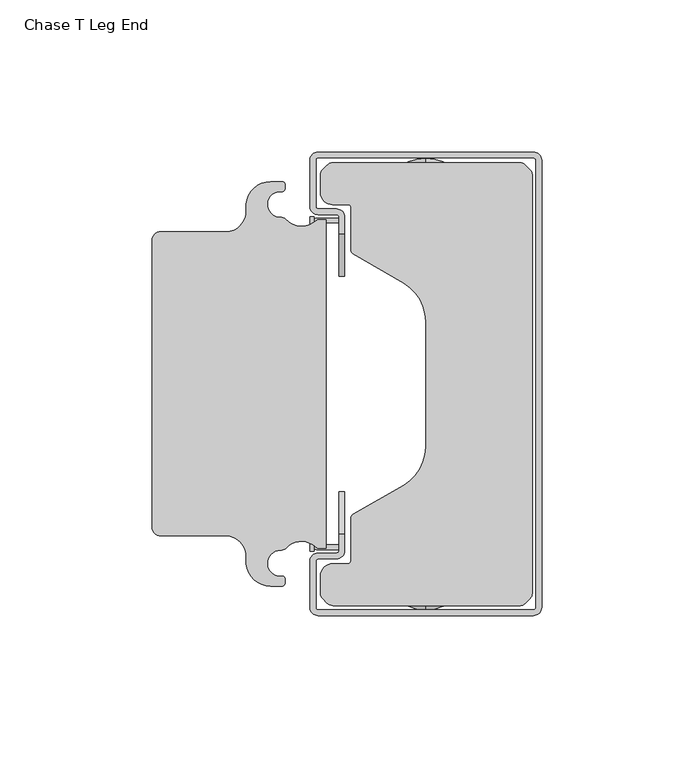
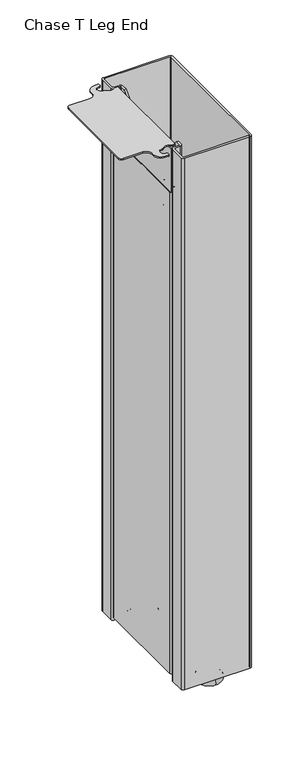
"""IFC4 building model written with IfcOpenShell, lengths in millimetres: furniture geometry, Chase T Leg End."""

from ifc_helpers import new_model, si_unit, point, frame, frame_2d, origin, place, context, project, spatial, polyline, circle_curve, ellipse_curve, trimmed, segment, composite_curve, outline, extrude, source, transform, mapped, element, save
from ifc_brep_helpers import plane_surface, cylinder_surface, revolved_surface, advanced_brep


def chase_t_leg_end_28bf16ec(model_context):
    return source(origin(), model_context, "Body", "SolidModel", [
        extrude(outline(polyline([(-54.9899983, 567.590135), (-54.9899983, 617.0249828), (-12.8496574, 617.0249828), (-6.3525906, 605.9712607), (6.3525906, 605.9712607), (12.8496574, 617.0249828), (54.9899983, 617.0249828), (54.9899983, 567.590135), (-54.9899983, 567.590135)])), frame((-38.1000273, 0.0, 0.0), z_axis=(1.0, 0.0, 0.0), x_axis=(0.0, 1.0, 0.0)), (0.0, 0.0, 1.0), 1.3436907),
        extrude(outline(composite_curve([segment(trimmed(circle_curve(frame_2d((-30.6177426, -63.0792863)), 4.0792856), [point((-34.6970282, -63.0792863))], [point((-30.6177426, -59.0000006))], False, "CARTESIAN"), True, "CONTINUOUS"), segment(polyline([(-30.6177426, -59.0000006), (-25.3843681, -59.0000006)]), True, "CONTINUOUS"), segment(trimmed(circle_curve(frame_2d((-25.3843681, -58.3126602)), 0.6873404), [point((-25.3843681, -59.0000006))], [point((-24.6970277, -58.3126602))], True, "CARTESIAN"), True, "CONTINUOUS"), segment(polyline([(-24.6970277, -58.3126602), (-24.6970277, -44.1396759)]), True, "CONTINUOUS"), segment(trimmed(circle_curve(frame_2d((-23.1713376, -44.1396759)), 1.5256901), [point((-24.6970277, -44.1396759))], [point((-23.9341826, -42.8183895))], False, "CARTESIAN"), True, "CONTINUOUS"), segment(polyline([(-23.9341826, -42.8183895), (-7.2289493, -33.1736194)]), True, "CONTINUOUS"), segment(trimmed(circle_curve(frame_2d((-14.4578702, -20.6527598)), 14.457843), [point((-7.2289493, -33.1736194))], [point((-2.73e-05, -20.6527598))], True, "CARTESIAN"), True, "CONTINUOUS"), segment(polyline([(-2.73e-05, -20.6527598), (-2.73e-05, 20.6527598)]), True, "CONTINUOUS"), segment(trimmed(circle_curve(frame_2d((-14.4578702, 20.6527598)), 14.457843), [point((-2.73e-05, 20.6527598))], [point((-7.2289493, 33.1736194))], True, "CARTESIAN"), True, "CONTINUOUS"), segment(polyline([(-7.2289493, 33.1736194), (-23.9341826, 42.8183895)]), True, "CONTINUOUS"), segment(trimmed(circle_curve(frame_2d((-23.1713376, 44.1396759)), 1.5256901), [point((-23.9341826, 42.8183895))], [point((-24.6970277, 44.1396759))], False, "CARTESIAN"), True, "CONTINUOUS"), segment(polyline([(-24.6970277, 44.1396759), (-24.6970277, 58.3126602)]), True, "CONTINUOUS"), segment(trimmed(circle_curve(frame_2d((-25.3843681, 58.3126602)), 0.6873404), [point((-24.6970277, 58.3126602))], [point((-25.3843681, 59.0000006))], True, "CARTESIAN"), True, "CONTINUOUS"), segment(polyline([(-25.3843681, 59.0000006), (-30.6177426, 59.0000006)]), True, "CONTINUOUS"), segment(trimmed(circle_curve(frame_2d((-30.6177426, 63.0792863)), 4.0792856), [point((-30.6177426, 59.0000006))], [point((-34.6970282, 63.0792863))], False, "CARTESIAN"), True, "CONTINUOUS"), segment(polyline([(-34.6970282, 63.0792863), (-34.6970282, 68.8937303)]), True, "CONTINUOUS"), segment(trimmed(circle_curve(frame_2d((-32.5091, 68.8937303)), 2.1879282), [point((-34.6970282, 68.8937303))], [point((-34.056198, 70.44083))], False, "CARTESIAN"), True, "CONTINUOUS"), segment(polyline([(-34.056198, 70.44083), (-32.5240103, 71.9730161)]), True, "CONTINUOUS"), segment(trimmed(circle_curve(frame_2d((-30.5274964, 69.9765001)), 2.8234985), [point((-32.5240103, 71.9730161))], [point((-30.5274964, 72.7999986))], False, "CARTESIAN"), True, "CONTINUOUS"), segment(polyline([(-30.5274964, 72.7999986), (31.0662822, 72.7999986)]), True, "CONTINUOUS"), segment(trimmed(circle_curve(frame_2d((31.0662822, 70.5386274)), 2.2613712), [point((31.0662822, 72.7999986))], [point((32.6653122, 72.1376592))], False, "CARTESIAN"), True, "CONTINUOUS"), segment(polyline([(32.6653122, 72.1376592), (34.3061873, 70.4967859)]), True, "CONTINUOUS"), segment(trimmed(circle_curve(frame_2d((32.6239999, 68.8145967)), 2.3789735), [point((34.3061873, 70.4967859))], [point((35.0029734, 68.8145967))], False, "CARTESIAN"), True, "CONTINUOUS"), segment(polyline([(35.0029734, 68.8145967), (35.0029734, -68.8145967)]), True, "CONTINUOUS"), segment(trimmed(circle_curve(frame_2d((32.6239999, -68.8145967)), 2.3789735), [point((35.0029734, -68.8145967))], [point((34.3061873, -70.4967859))], False, "CARTESIAN"), True, "CONTINUOUS"), segment(polyline([(34.3061873, -70.4967859), (32.6653122, -72.1376592)]), True, "CONTINUOUS"), segment(trimmed(circle_curve(frame_2d((31.0662822, -70.5386274)), 2.2613712), [point((32.6653122, -72.1376592))], [point((31.0662822, -72.7999986))], False, "CARTESIAN"), True, "CONTINUOUS"), segment(polyline([(31.0662822, -72.7999986), (-30.5274964, -72.7999986)]), True, "CONTINUOUS"), segment(trimmed(circle_curve(frame_2d((-30.5274964, -69.9765001)), 2.8234985), [point((-30.5274964, -72.7999986))], [point((-32.5240103, -71.9730161))], False, "CARTESIAN"), True, "CONTINUOUS"), segment(polyline([(-32.5240103, -71.9730161), (-34.056198, -70.44083)]), True, "CONTINUOUS"), segment(trimmed(circle_curve(frame_2d((-32.5091, -68.8937303)), 2.1879282), [point((-34.056198, -70.44083))], [point((-34.6970282, -68.8937303))], False, "CARTESIAN"), True, "CONTINUOUS"), segment(polyline([(-34.6970282, -68.8937303), (-34.6970282, -63.0792863)]), True, "CONTINUOUS")], self_intersect=False)), frame((0.0, 0.0, 44.5249985), z_axis=(0.0, 0.0, 1.0), x_axis=(1.0, 0.0, 0.0)), (0.0, 0.0, 1.0), 5.6950012),
        extrude(outline(composite_curve([segment(trimmed(circle_curve(frame_2d((-35.9502827, 52.3402571)), 2.1497445), [point((-38.1000273, 52.3402571))], [point((-35.9502827, 54.4900016))], False, "CARTESIAN"), True, "CONTINUOUS"), segment(polyline([(-35.9502827, 54.4900016), (-28.5750273, 54.4900016), (-28.5750273, 52.9659985), (-35.7888332, 52.9659985)]), True, "CONTINUOUS"), segment(trimmed(circle_curve(frame_2d((-35.7888332, 52.1788052)), 0.7871933), [point((-35.7888332, 52.9659985))], [point((-36.5760264, 52.1788052))], True, "CARTESIAN"), True, "CONTINUOUS"), segment(polyline([(-36.5760264, 52.1788052), (-36.5760264, -52.1788052)]), True, "CONTINUOUS"), segment(trimmed(circle_curve(frame_2d((-35.7888332, -52.1788052)), 0.7871933), [point((-36.5760264, -52.1788052))], [point((-35.7888332, -52.9659985))], True, "CARTESIAN"), True, "CONTINUOUS"), segment(polyline([(-35.7888332, -52.9659985), (-28.5750273, -52.9659985), (-28.5750273, -54.4900016), (-35.9502827, -54.4900016)]), True, "CONTINUOUS"), segment(trimmed(circle_curve(frame_2d((-35.9502827, -52.3402571)), 2.1497445), [point((-35.9502827, -54.4900016))], [point((-38.1000273, -52.3402571))], False, "CARTESIAN"), True, "CONTINUOUS"), segment(polyline([(-38.1000273, -52.3402571), (-38.1000273, 52.3402571)]), True, "CONTINUOUS")], self_intersect=False)), frame((0.0, 0.0, 15.0250004), z_axis=(0.0, 0.0, 1.0), x_axis=(1.0, 0.0, 0.0)), (0.0, 0.0, 1.0), 551.4847541),
        advanced_brep(
        [(-36.2026481, 73.5766231, 618.6490116), (-35.4766527, 74.3026185, 618.6490116), (35.3750524, 74.3026185, 618.6490116), (36.2025936, 73.4750774, 618.6490116), (36.2025936, -73.4750774, 618.6490116), (35.3750524, -74.3026185, 618.6490116), (-35.4766527, -74.3026185, 618.6490116), (-36.2026481, -73.5766231, 618.6490116), (-36.2026481, -58.4274907, 618.6490116), (-35.2985358, -57.5233784, 618.6490116), (-29.411658, -57.5233784, 618.6490116), (-26.6776481, -54.7893684, 618.6490116), (-26.6776481, -49.4010479, 618.6490116), (-28.5750273, -49.4010479, 618.6490116), (-28.5750273, -54.8550726, 618.6490116), (-29.3459561, -55.6260015, 618.6490116), (-35.4603939, -55.6260015, 618.6490116), (-38.1000273, -58.2656348, 618.6490116), (-38.1000273, -73.6049923, 618.6490116), (-35.5050196, -76.2, 618.6490116), (35.3413512, -76.2, 618.6490116), (38.0999727, -73.4413785, 618.6490116), (38.0999727, 73.4413785, 618.6490116), (35.3413512, 76.2, 618.6490116), (-35.5050196, 76.2, 618.6490116), (-38.1000273, 73.6049923, 618.6490116), (-38.1000273, 58.2656348, 618.6490116), (-35.4603939, 55.6260015, 618.6490116), (-29.3459561, 55.6260015, 618.6490116), (-28.5750273, 54.8550726, 618.6490116), (-28.5750273, 49.4010479, 618.6490116), (-26.6776481, 49.4010479, 618.6490116), (-26.6776481, 54.7893684, 618.6490116), (-29.411658, 57.5233784, 618.6490116), (-35.2985358, 57.5233784, 618.6490116), (-36.2026481, 58.4274907, 618.6490116), (-36.2026481, 73.5766231, 9.525), (-36.2026481, 58.4274907, 9.525), (-35.2985358, 57.5233784, 9.525), (-29.411658, 57.5233784, 9.525), (-26.8088027, 55.6260015, 9.525), (-35.4603939, 55.6260015, 9.525), (-38.1000273, 58.2656348, 9.525), (-38.1000273, 73.6049923, 9.525), (-35.5050196, 76.2, 9.525), (35.3413512, 76.2, 9.525), (38.0999727, 73.4413785, 9.525), (38.0999727, -73.4413785, 9.525), (35.3413512, -76.2, 9.525), (-35.5050196, -76.2, 9.525), (-38.1000273, -73.6049923, 9.525), (-38.1000273, -58.2656348, 9.525), (-35.4603939, -55.6260015, 9.525), (-26.8088027, -55.6260015, 9.525), (-29.411658, -57.5233784, 9.525), (-35.2985358, -57.5233784, 9.525), (-36.2026481, -58.4274907, 9.525), (-36.2026481, -73.5766231, 9.525), (-35.4766527, -74.3026185, 9.525), (35.3750524, -74.3026185, 9.525), (36.2025936, -73.4750774, 9.525), (36.2025936, 73.4750774, 9.525), (35.3750524, 74.3026185, 9.525), (-35.4766527, 74.3026185, 9.525), (-26.8088027, -55.6260015, 22.2200009), (-26.6776481, -54.7893684, 22.2200009), (-26.6776481, -47.0198276, 22.2200009), (-26.6776481, -45.4009988, 23.8388298), (-26.6776481, -45.4009988, 45.3317175), (-26.6776481, -44.5572219, 47.3687762), (-26.6776481, -40.2251098, 51.7008922), (-26.6776481, -39.4010016, 53.6904666), (-26.6776481, -39.4010016, 61.6385204), (-26.6776481, -40.027836, 63.1518335), (-26.6776481, -44.7830617, 67.9070634), (-26.6776481, -45.4009988, 69.3988964), (-26.6776481, -45.4009988, 481.1982298), (-26.6776481, -43.6680321, 485.3819781), (-26.6776481, -35.4010005, 493.6490006), (-26.6776481, -35.4010005, 604.6490058), (-28.5750273, -35.4010005, 493.6490006), (-28.5750273, -35.4010005, 604.6490058), (-28.5750273, -43.6680321, 485.3819781), (-28.5750273, -45.4009988, 481.1982298), (-28.5750273, -45.4009988, 69.3988964), (-28.5750273, -44.7830617, 67.9070634), (-28.5750273, -40.027836, 63.1518335), (-28.5750273, -39.4010016, 61.6385204), (-28.5750273, -39.4010016, 53.6904666), (-28.5750273, -40.2251098, 51.7008922), (-28.5750273, -44.5572219, 47.3687762), (-28.5750273, -45.4009988, 45.3317175), (-28.5750273, -45.4009988, 23.8388298), (-28.5750273, -47.0198276, 22.2200009), (-28.5750273, -54.8550726, 22.2200009), (-29.3459561, -55.6260015, 22.2200009), (-26.8088027, 55.6260015, 22.2200009), (-29.3459561, 55.6260015, 22.2200009), (-28.5750273, 54.8550726, 22.2200009), (-28.5750273, 47.0198276, 22.2200009), (-28.5750273, 45.4009988, 23.8388298), (-28.5750273, 45.4009988, 45.3317175), (-28.5750273, 44.5572219, 47.3687762), (-28.5750273, 40.2251098, 51.7008922), (-28.5750273, 39.4010016, 53.6904666), (-28.5750273, 39.4010016, 61.6385204), (-28.5750273, 40.027836, 63.1518335), (-28.5750273, 44.7830617, 67.9070634), (-28.5750273, 45.4009988, 69.3988964), (-28.5750273, 45.4009988, 481.1982298), (-28.5750273, 43.6680321, 485.3819781), (-28.5750273, 35.4010005, 493.6490006), (-28.5750273, 35.4010005, 604.6490058), (-26.6776481, 35.4010005, 493.6490006), (-26.6776481, 35.4010005, 604.6490058), (-26.6776481, 43.6680321, 485.3819781), (-26.6776481, 45.4009988, 481.1982298), (-26.6776481, 45.4009988, 69.3988964), (-26.6776481, 44.7830617, 67.9070634), (-26.6776481, 40.027836, 63.1518335), (-26.6776481, 39.4010016, 61.6385204), (-26.6776481, 39.4010016, 53.6904666), (-26.6776481, 40.2251098, 51.7008922), (-26.6776481, 44.5572219, 47.3687762), (-26.6776481, 45.4009988, 45.3317175), (-26.6776481, 45.4009988, 23.8388298), (-26.6776481, 47.0198276, 22.2200009), (-26.6776481, 54.7893684, 22.2200009)],
        [
            (0, 1, circle_curve(frame((-35.4766527, 73.5766231, 618.6490116), z_axis=(0.0, 0.0, -1.0), x_axis=(1.0, 0.0, 0.0)), 0.7259954)),
            (1, 2),
            (2, 3, circle_curve(frame((35.3750524, 73.4750774, 618.6490116), z_axis=(0.0, 0.0, -1.0), x_axis=(1.0, 0.0, 0.0)), 0.8275411)),
            (3, 4),
            (4, 5, circle_curve(frame((35.3750524, -73.4750774, 618.6490116), z_axis=(0.0, 0.0, -1.0), x_axis=(1.0, 0.0, 0.0)), 0.8275411)),
            (5, 6),
            (6, 7, circle_curve(frame((-35.4766527, -73.5766231, 618.6490116), z_axis=(0.0, 0.0, -1.0), x_axis=(1.0, 0.0, 0.0)), 0.7259954)),
            (7, 8),
            (8, 9, circle_curve(frame((-35.2985358, -58.4274907, 618.6490116), z_axis=(0.0, 0.0, -1.0), x_axis=(1.0, 0.0, 0.0)), 0.9041123)),
            (9, 10),
            (10, 11, circle_curve(frame((-29.411658, -54.7893684, 618.6490116), z_axis=(0.0, 0.0, 1.0), x_axis=(1.0, 0.0, 0.0)), 2.73401)),
            (11, 12),
            (12, 13),
            (13, 14),
            (14, 15, circle_curve(frame((-29.3459561, -54.8550726, 618.6490116), z_axis=(0.0, 0.0, -1.0), x_axis=(1.0, 0.0, 0.0)), 0.7709289)),
            (15, 16),
            (16, 17, circle_curve(frame((-35.4603939, -58.2656348, 618.6490116), z_axis=(0.0, 0.0, 1.0), x_axis=(1.0, 0.0, 0.0)), 2.6396334)),
            (17, 18),
            (18, 19, circle_curve(frame((-35.5050196, -73.6049923, 618.6490116), z_axis=(0.0, 0.0, 1.0), x_axis=(1.0, 0.0, 0.0)), 2.5950077)),
            (19, 20),
            (20, 21, circle_curve(frame((35.3413512, -73.4413785, 618.6490116), z_axis=(0.0, 0.0, 1.0), x_axis=(1.0, 0.0, 0.0)), 2.7586215)),
            (21, 22),
            (22, 23, circle_curve(frame((35.3413512, 73.4413785, 618.6490116), z_axis=(0.0, 0.0, 1.0), x_axis=(1.0, 0.0, 0.0)), 2.7586215)),
            (23, 24),
            (24, 25, circle_curve(frame((-35.5050196, 73.6049923, 618.6490116), z_axis=(0.0, 0.0, 1.0), x_axis=(1.0, 0.0, 0.0)), 2.5950077)),
            (25, 26),
            (26, 27, circle_curve(frame((-35.4603939, 58.2656348, 618.6490116), z_axis=(0.0, 0.0, 1.0), x_axis=(1.0, 0.0, 0.0)), 2.6396334)),
            (27, 28),
            (28, 29, circle_curve(frame((-29.3459561, 54.8550726, 618.6490116), z_axis=(0.0, 0.0, -1.0), x_axis=(1.0, 0.0, 0.0)), 0.7709289)),
            (29, 30),
            (30, 31),
            (31, 32),
            (32, 33, circle_curve(frame((-29.411658, 54.7893684, 618.6490116), z_axis=(0.0, 0.0, 1.0), x_axis=(1.0, 0.0, 0.0)), 2.73401)),
            (33, 34),
            (34, 35, circle_curve(frame((-35.2985358, 58.4274907, 618.6490116), z_axis=(0.0, 0.0, -1.0), x_axis=(1.0, 0.0, 0.0)), 0.9041123)),
            (35, 0),
            (36, 37),
            (37, 38, circle_curve(frame((-35.2985358, 58.4274907, 9.525), z_axis=(0.0, 0.0, 1.0), x_axis=(1.0, 0.0, 0.0)), 0.9041123)),
            (38, 39),
            (39, 40, circle_curve(frame((-29.411658, 54.7893684, 9.525), z_axis=(0.0, 0.0, -1.0), x_axis=(1.0, 0.0, 0.0)), 2.73401)),
            (40, 41),
            (41, 42, circle_curve(frame((-35.4603939, 58.2656348, 9.525), z_axis=(0.0, 0.0, -1.0), x_axis=(1.0, 0.0, 0.0)), 2.6396334)),
            (42, 43),
            (43, 44, circle_curve(frame((-35.5050196, 73.6049923, 9.525), z_axis=(0.0, 0.0, -1.0), x_axis=(1.0, 0.0, 0.0)), 2.5950077)),
            (44, 45),
            (45, 46, circle_curve(frame((35.3413512, 73.4413785, 9.525), z_axis=(0.0, 0.0, -1.0), x_axis=(1.0, 0.0, 0.0)), 2.7586215)),
            (46, 47),
            (47, 48, circle_curve(frame((35.3413512, -73.4413785, 9.525), z_axis=(0.0, 0.0, -1.0), x_axis=(1.0, 0.0, 0.0)), 2.7586215)),
            (48, 49),
            (49, 50, circle_curve(frame((-35.5050196, -73.6049923, 9.525), z_axis=(0.0, 0.0, -1.0), x_axis=(1.0, 0.0, 0.0)), 2.5950077)),
            (50, 51),
            (51, 52, circle_curve(frame((-35.4603939, -58.2656348, 9.525), z_axis=(0.0, 0.0, -1.0), x_axis=(1.0, 0.0, 0.0)), 2.6396334)),
            (52, 53),
            (53, 54, circle_curve(frame((-29.411658, -54.7893684, 9.525), z_axis=(0.0, 0.0, -1.0), x_axis=(1.0, 0.0, 0.0)), 2.73401)),
            (54, 55),
            (55, 56, circle_curve(frame((-35.2985358, -58.4274907, 9.525), z_axis=(0.0, 0.0, 1.0), x_axis=(1.0, 0.0, 0.0)), 0.9041123)),
            (56, 57),
            (57, 58, circle_curve(frame((-35.4766527, -73.5766231, 9.525), z_axis=(0.0, 0.0, 1.0), x_axis=(1.0, 0.0, 0.0)), 0.7259954)),
            (58, 59),
            (59, 60, circle_curve(frame((35.3750524, -73.4750774, 9.525), z_axis=(0.0, 0.0, 1.0), x_axis=(1.0, 0.0, 0.0)), 0.8275411)),
            (60, 61),
            (61, 62, circle_curve(frame((35.3750524, 73.4750774, 9.525), z_axis=(0.0, 0.0, 1.0), x_axis=(1.0, 0.0, 0.0)), 0.8275411)),
            (62, 63),
            (63, 36, circle_curve(frame((-35.4766527, 73.5766231, 9.525), z_axis=(0.0, 0.0, 1.0), x_axis=(1.0, 0.0, 0.0)), 0.7259954)),
            (0, 36),
            (63, 1),
            (62, 2),
            (61, 3),
            (60, 4),
            (59, 5),
            (58, 6),
            (57, 7),
            (56, 8),
            (55, 9),
            (54, 10),
            (53, 64),
            (64, 65, circle_curve(frame((-29.411658, -54.7893684, 22.2200009), z_axis=(0.0, 0.0, 1.0), x_axis=(1.0, 0.0, 0.0)), 2.73401)),
            (65, 11),
            (65, 66),
            (66, 67, circle_curve(frame((-26.6776481, -47.0198276, 23.8388298), z_axis=(1.0, 0.0, 0.0), x_axis=(0.0, 1.0, 0.0)), 1.6188289)),
            (67, 68),
            (68, 69, circle_curve(frame((-26.6776481, -42.5201614, 45.3317175), z_axis=(-1.0, 0.0, 0.0), x_axis=(0.0, 1.0, 0.0)), 2.8808373)),
            (69, 70),
            (70, 71, circle_curve(frame((-26.6776481, -42.214686, 53.6904666), z_axis=(1.0, 0.0, 0.0), x_axis=(0.0, 1.0, 0.0)), 2.8136844)),
            (71, 72),
            (72, 73, circle_curve(frame((-26.6776481, -41.5411505, 61.6385204), z_axis=(1.0, 0.0, 0.0), x_axis=(0.0, 1.0, 0.0)), 2.1401489)),
            (73, 74),
            (74, 75, circle_curve(frame((-26.6776481, -43.2912274, 69.3988964), z_axis=(-1.0, 0.0, 0.0), x_axis=(0.0, 1.0, 0.0)), 2.1097714)),
            (75, 76),
            (76, 77, circle_curve(frame((-26.6776481, -39.4842884, 481.1982298), z_axis=(-1.0, 0.0, 0.0), x_axis=(0.0, 1.0, 0.0)), 5.9167103)),
            (77, 78),
            (78, 79),
            (79, 12),
            (78, 80),
            (80, 81),
            (81, 79),
            (13, 81),
            (80, 82),
            (82, 83, circle_curve(frame((-28.5750273, -39.4842884, 481.1982298), z_axis=(1.0, 0.0, 0.0), x_axis=(0.0, 1.0, 0.0)), 5.9167103)),
            (83, 84),
            (84, 85, circle_curve(frame((-28.5750273, -43.2912274, 69.3988964), z_axis=(1.0, 0.0, 0.0), x_axis=(0.0, 1.0, 0.0)), 2.1097714)),
            (85, 86),
            (86, 87, circle_curve(frame((-28.5750273, -41.5411505, 61.6385204), z_axis=(-1.0, 0.0, 0.0), x_axis=(0.0, 1.0, 0.0)), 2.1401489)),
            (87, 88),
            (88, 89, circle_curve(frame((-28.5750273, -42.214686, 53.6904666), z_axis=(-1.0, 0.0, 0.0), x_axis=(0.0, 1.0, 0.0)), 2.8136844)),
            (89, 90),
            (90, 91, circle_curve(frame((-28.5750273, -42.5201614, 45.3317175), z_axis=(1.0, 0.0, 0.0), x_axis=(0.0, 1.0, 0.0)), 2.8808373)),
            (91, 92),
            (92, 93, circle_curve(frame((-28.5750273, -47.0198276, 23.8388298), z_axis=(-1.0, 0.0, 0.0), x_axis=(0.0, 1.0, 0.0)), 1.6188289)),
            (93, 94),
            (94, 14),
            (94, 95, circle_curve(frame((-29.3459561, -54.8550726, 22.2200009), z_axis=(0.0, 0.0, -1.0), x_axis=(1.0, 0.0, 0.0)), 0.7709289)),
            (95, 15),
            (95, 64),
            (52, 16),
            (51, 17),
            (50, 18),
            (49, 19),
            (48, 20),
            (47, 21),
            (46, 22),
            (45, 23),
            (44, 24),
            (43, 25),
            (42, 26),
            (41, 27),
            (40, 96),
            (96, 97),
            (97, 28),
            (97, 98, circle_curve(frame((-29.3459561, 54.8550726, 22.2200009), z_axis=(0.0, 0.0, -1.0), x_axis=(1.0, 0.0, 0.0)), 0.7709289)),
            (98, 29),
            (98, 99),
            (99, 100, circle_curve(frame((-28.5750273, 47.0198276, 23.8388298), z_axis=(-1.0, 0.0, 0.0), x_axis=(0.0, -1.0, 0.0)), 1.6188289)),
            (100, 101),
            (101, 102, circle_curve(frame((-28.5750273, 42.5201614, 45.3317175), z_axis=(1.0, 0.0, 0.0), x_axis=(0.0, -1.0, 0.0)), 2.8808373)),
            (102, 103),
            (103, 104, circle_curve(frame((-28.5750273, 42.214686, 53.6904666), z_axis=(-1.0, 0.0, 0.0), x_axis=(0.0, -1.0, 0.0)), 2.8136844)),
            (104, 105),
            (105, 106, circle_curve(frame((-28.5750273, 41.5411505, 61.6385204), z_axis=(-1.0, 0.0, 0.0), x_axis=(0.0, -1.0, 0.0)), 2.1401489)),
            (106, 107),
            (107, 108, circle_curve(frame((-28.5750273, 43.2912274, 69.3988964), z_axis=(1.0, 0.0, 0.0), x_axis=(0.0, -1.0, 0.0)), 2.1097714)),
            (108, 109),
            (109, 110, circle_curve(frame((-28.5750273, 39.4842884, 481.1982298), z_axis=(1.0, 0.0, 0.0), x_axis=(0.0, -1.0, 0.0)), 5.9167103)),
            (110, 111),
            (111, 112),
            (112, 30),
            (111, 113),
            (113, 114),
            (114, 112),
            (31, 114),
            (113, 115),
            (115, 116, circle_curve(frame((-26.6776481, 39.4842884, 481.1982298), z_axis=(-1.0, 0.0, 0.0), x_axis=(0.0, -1.0, 0.0)), 5.9167103)),
            (116, 117),
            (117, 118, circle_curve(frame((-26.6776481, 43.2912274, 69.3988964), z_axis=(-1.0, 0.0, 0.0), x_axis=(0.0, -1.0, 0.0)), 2.1097714)),
            (118, 119),
            (119, 120, circle_curve(frame((-26.6776481, 41.5411505, 61.6385204), z_axis=(1.0, 0.0, 0.0), x_axis=(0.0, -1.0, 0.0)), 2.1401489)),
            (120, 121),
            (121, 122, circle_curve(frame((-26.6776481, 42.214686, 53.6904666), z_axis=(1.0, 0.0, 0.0), x_axis=(0.0, -1.0, 0.0)), 2.8136844)),
            (122, 123),
            (123, 124, circle_curve(frame((-26.6776481, 42.5201614, 45.3317175), z_axis=(-1.0, 0.0, 0.0), x_axis=(0.0, -1.0, 0.0)), 2.8808373)),
            (124, 125),
            (125, 126, circle_curve(frame((-26.6776481, 47.0198276, 23.8388298), z_axis=(1.0, 0.0, 0.0), x_axis=(0.0, -1.0, 0.0)), 1.6188289)),
            (126, 127),
            (127, 32),
            (127, 96, circle_curve(frame((-29.411658, 54.7893684, 22.2200009), z_axis=(0.0, 0.0, 1.0), x_axis=(1.0, 0.0, 0.0)), 2.73401)),
            (39, 33),
            (38, 34),
            (37, 35),
            (126, 99),
            (125, 100),
            (124, 101),
            (123, 102),
            (122, 103),
            (121, 104),
            (120, 105),
            (119, 106),
            (118, 107),
            (117, 108),
            (116, 109),
            (115, 110),
            (77, 82),
            (76, 83),
            (75, 84),
            (74, 85),
            (73, 86),
            (72, 87),
            (71, 88),
            (70, 89),
            (69, 90),
            (68, 91),
            (67, 92),
            (66, 93),
        ],
        [
            plane_surface(frame((-34.7506573, 73.5766231, 618.6490116), z_axis=(0.0, 0.0, 1.0), x_axis=(0.0, -1.0, 0.0))),
            plane_surface(frame((-34.7506573, 73.5766231, 9.525), z_axis=(0.0, 0.0, -1.0), x_axis=(0.0, 1.0, 0.0))),
            revolved_surface(polyline([(-34.7506573, 73.5766231, 9.525), (-34.7506573, 73.5766231, 618.6490116)]), (-35.4766527, 73.5766231, 9.525), (0.0, 0.0, -1.0)),
            plane_surface(frame((-35.4766527, 74.3026185, 618.6490116), z_axis=(0.0, -1.0, 0.0), x_axis=(0.0, 0.0, -1.0))),
            revolved_surface(polyline([(36.2025935, 73.4750774, 9.525), (36.2025935, 73.4750774, 618.6490116)]), (35.3750524, 73.4750774, 9.525), (0.0, 0.0, -1.0)),
            plane_surface(frame((36.2025936, 73.4750774, 618.6490116), z_axis=(-1.0, 0.0, 0.0), x_axis=(0.0, 0.0, -1.0))),
            revolved_surface(polyline([(36.2025935, -73.4750774, 9.525), (36.2025935, -73.4750774, 618.6490116)]), (35.3750524, -73.4750774, 9.525), (0.0, 0.0, -1.0)),
            plane_surface(frame((35.3750524, -74.3026185, 618.6490116), z_axis=(0.0, 1.0, 0.0), x_axis=(0.0, 0.0, -1.0))),
            revolved_surface(polyline([(-34.7506573, -73.5766231, 9.525), (-34.7506573, -73.5766231, 618.6490116)]), (-35.4766527, -73.5766231, 9.525), (0.0, 0.0, -1.0)),
            plane_surface(frame((-36.2026481, -73.5766231, 618.6490116), z_axis=(1.0, 0.0, 0.0), x_axis=(0.0, 0.0, -1.0))),
            revolved_surface(polyline([(-34.3944235, -58.4274907, 9.525), (-34.3944235, -58.4274907, 618.6490116)]), (-35.2985358, -58.4274907, 9.525), (0.0, 0.0, -1.0)),
            plane_surface(frame((-35.2985358, -57.5233784, 618.6490116), z_axis=(0.0, -1.0, 0.0), x_axis=(0.0, 0.0, -1.0))),
            cylinder_surface(frame((-29.411658, -54.7893684, 9.525), z_axis=(0.0, 0.0, 1.0), x_axis=(1.0, 0.0, 0.0)), 2.73401),
            plane_surface(frame((-26.6776481, -54.7893684, 618.6490116), z_axis=(1.0, 0.0, 0.0), x_axis=(0.0, 0.0, -1.0))),
            plane_surface(frame((-26.6776481, -35.4010005, 618.6490116), z_axis=(0.0, 1.0, 0.0), x_axis=(0.0, 0.0, -1.0))),
            plane_surface(frame((-28.5750273, -35.4010005, 618.6490116), z_axis=(-1.0, 0.0, 0.0), x_axis=(0.0, 0.0, -1.0))),
            revolved_surface(polyline([(-28.575027199999997, -54.8550726, 22.2200009), (-28.575027199999997, -54.8550726, 618.6490116)]), (-29.3459561, -54.8550726, 9.525), (0.0, 0.0, -1.0)),
            plane_surface(frame((-29.3459561, -55.6260015, 618.6490116), z_axis=(0.0, 1.0, 0.0), x_axis=(0.0, 0.0, -1.0))),
            cylinder_surface(frame((-35.4603939, -58.2656348, 9.525), z_axis=(0.0, 0.0, 1.0), x_axis=(1.0, 0.0, 0.0)), 2.6396334),
            plane_surface(frame((-38.1000273, -58.2656348, 618.6490116), z_axis=(-1.0, 0.0, 0.0), x_axis=(0.0, 0.0, -1.0))),
            cylinder_surface(frame((-35.5050196, -73.6049923, 9.525), z_axis=(0.0, 0.0, 1.0), x_axis=(1.0, 0.0, 0.0)), 2.5950077),
            plane_surface(frame((-35.5050196, -76.2, 618.6490116), z_axis=(0.0, -1.0, 0.0), x_axis=(0.0, 0.0, -1.0))),
            cylinder_surface(frame((35.3413512, -73.4413785, 9.525), z_axis=(0.0, 0.0, 1.0), x_axis=(1.0, 0.0, 0.0)), 2.7586215),
            plane_surface(frame((38.0999727, -73.4413785, 618.6490116), z_axis=(1.0, 0.0, 0.0), x_axis=(0.0, 0.0, -1.0))),
            cylinder_surface(frame((35.3413512, 73.4413785, 9.525), z_axis=(0.0, 0.0, 1.0), x_axis=(1.0, 0.0, 0.0)), 2.7586215),
            plane_surface(frame((35.3413512, 76.2, 618.6490116), z_axis=(0.0, 1.0, 0.0), x_axis=(0.0, 0.0, -1.0))),
            cylinder_surface(frame((-35.5050196, 73.6049923, 9.525), z_axis=(0.0, 0.0, 1.0), x_axis=(1.0, 0.0, 0.0)), 2.5950077),
            plane_surface(frame((-38.1000273, 73.6049923, 618.6490116), z_axis=(-1.0, 0.0, 0.0), x_axis=(0.0, 0.0, -1.0))),
            cylinder_surface(frame((-35.4603939, 58.2656348, 9.525), z_axis=(0.0, 0.0, 1.0), x_axis=(1.0, 0.0, 0.0)), 2.6396334),
            plane_surface(frame((-35.4603939, 55.6260015, 618.6490116), z_axis=(0.0, -1.0, 0.0), x_axis=(0.0, 0.0, -1.0))),
            revolved_surface(polyline([(-28.575027199999997, 54.8550726, 22.2200009), (-28.575027199999997, 54.8550726, 618.6490116)]), (-29.3459561, 54.8550726, 9.525), (0.0, 0.0, -1.0)),
            plane_surface(frame((-28.5750273, 54.8550726, 618.6490116), z_axis=(-1.0, 0.0, 0.0), x_axis=(0.0, 0.0, -1.0))),
            plane_surface(frame((-28.5750273, 35.4010005, 618.6490116), z_axis=(0.0, -1.0, 0.0), x_axis=(0.0, 0.0, -1.0))),
            plane_surface(frame((-26.6776481, 35.4010005, 618.6490116), z_axis=(1.0, 0.0, 0.0), x_axis=(0.0, 0.0, -1.0))),
            cylinder_surface(frame((-29.411658, 54.7893684, 9.525), z_axis=(0.0, 0.0, 1.0), x_axis=(1.0, 0.0, 0.0)), 2.73401),
            plane_surface(frame((-29.411658, 57.5233784, 618.6490116), z_axis=(0.0, 1.0, 0.0), x_axis=(0.0, 0.0, -1.0))),
            revolved_surface(polyline([(-34.3944235, 58.4274907, 9.525), (-34.3944235, 58.4274907, 618.6490116)]), (-35.2985358, 58.4274907, 9.525), (0.0, 0.0, -1.0)),
            plane_surface(frame((-36.2026481, 58.4274907, 618.6490116), z_axis=(1.0, 0.0, 0.0), x_axis=(0.0, 0.0, -1.0))),
            plane_surface(frame((0.0, 29.2002842, 598.4483079), z_axis=(0.0, -0.7071057318713095, 0.7071078305002284), x_axis=(-1.0, 0.0, 0.0))),
            plane_surface(frame((0.0, 55.6260015, 22.2200009), z_axis=(0.0, 0.0, -1.0), x_axis=(-1.0, 0.0, 0.0))),
            cylinder_surface(frame((0.0, 47.0198276, 23.8388298), z_axis=(-1.0, 0.0, 0.0), x_axis=(0.0, -1.0, 0.0)), 1.6188289),
            plane_surface(frame((0.0, 45.4009988, 23.8388298), z_axis=(0.0, -1.0, 0.0), x_axis=(-1.0, 0.0, 0.0))),
            revolved_surface(polyline([(-26.6776481, 39.639324099999996, 45.3317175), (-28.5750273, 39.639324099999996, 45.3317175)]), (0.0, 42.5201614, 45.3317175), (1.0, 0.0, 0.0)),
            plane_surface(frame((0.0, 44.5572219, 47.3687762), z_axis=(0.0, -0.7071070947374991, -0.707106467635457), x_axis=(-1.0, 0.0, 0.0))),
            cylinder_surface(frame((0.0, 42.214686, 53.6904666), z_axis=(-1.0, 0.0, 0.0), x_axis=(0.0, -1.0, 0.0)), 2.8136844),
            plane_surface(frame((0.0, 39.4010016, 53.6904666), z_axis=(0.0, -1.0, 0.0), x_axis=(-1.0, 0.0, 0.0))),
            cylinder_surface(frame((0.0, 41.5411505, 61.6385204), z_axis=(-1.0, 0.0, 0.0), x_axis=(0.0, -1.0, 0.0)), 2.1401489),
            plane_surface(frame((0.0, 40.027836, 63.1518335), z_axis=(0.0, -0.7071070947374979, 0.7071064676354581), x_axis=(-1.0, 0.0, 0.0))),
            revolved_surface(polyline([(-26.6776481, 41.181456, 69.3988964), (-28.5750273, 41.181456, 69.3988964)]), (0.0, 43.2912274, 69.3988964), (1.0, 0.0, 0.0)),
            plane_surface(frame((0.0, 45.4009988, 69.3988964), z_axis=(0.0, -1.0, 0.0), x_axis=(-1.0, 0.0, 0.0))),
            revolved_surface(polyline([(-26.6776481, 33.5675781, 481.1982298), (-28.5750273, 33.5675781, 481.1982298)]), (0.0, 39.4842884, 481.1982298), (1.0, 0.0, 0.0)),
            plane_surface(frame((0.0, 43.6680321, 485.3819781), z_axis=(0.0, -0.7071063915549256, -0.7071071708179548), x_axis=(-1.0, 0.0, 0.0))),
            plane_surface(frame((0.0, -64.1906656, 633.4385854), z_axis=(0.0, 0.7071057318713095, 0.7071078305002284), x_axis=(-1.0, 0.0, 0.0))),
            plane_surface(frame((0.0, -29.2621105, 499.7878838), z_axis=(0.0, 0.7071063915549256, -0.7071071708179548), x_axis=(-1.0, 0.0, 0.0))),
            revolved_surface(polyline([(-26.6776481, -33.5675781, 481.1982298), (-28.5750273, -33.5675781, 481.1982298)]), (0.0, -39.4842884, 481.1982298), (1.0, 0.0, 0.0)),
            plane_surface(frame((0.0, -45.4009988, 481.1982298), z_axis=(0.0, 1.0, 0.0), x_axis=(-1.0, 0.0, 0.0))),
            revolved_surface(polyline([(-26.6776481, -41.181456, 69.3988964), (-28.5750273, -41.181456, 69.3988964)]), (0.0, -43.2912274, 69.3988964), (1.0, 0.0, 0.0)),
            plane_surface(frame((0.0, -44.7830617, 67.9070634), z_axis=(0.0, 0.7071070947374979, 0.7071064676354581), x_axis=(-1.0, 0.0, 0.0))),
            cylinder_surface(frame((0.0, -41.5411505, 61.6385204), z_axis=(-1.0, 0.0, 0.0), x_axis=(0.0, 1.0, 0.0)), 2.1401489),
            plane_surface(frame((0.0, -39.4010016, 61.6385204), z_axis=(0.0, 1.0, 0.0), x_axis=(-1.0, 0.0, 0.0))),
            cylinder_surface(frame((0.0, -42.214686, 53.6904666), z_axis=(-1.0, 0.0, 0.0), x_axis=(0.0, 1.0, 0.0)), 2.8136844),
            plane_surface(frame((0.0, -40.2251098, 51.7008922), z_axis=(0.0, 0.7071070947374991, -0.707106467635457), x_axis=(-1.0, 0.0, 0.0))),
            revolved_surface(polyline([(-26.6776481, -39.639324099999996, 45.3317175), (-28.5750273, -39.639324099999996, 45.3317175)]), (0.0, -42.5201614, 45.3317175), (1.0, 0.0, 0.0)),
            plane_surface(frame((0.0, -45.4009988, 45.3317175), z_axis=(0.0, 1.0, 0.0), x_axis=(-1.0, 0.0, 0.0))),
            cylinder_surface(frame((0.0, -47.0198276, 23.8388298), z_axis=(-1.0, 0.0, 0.0), x_axis=(0.0, 1.0, 0.0)), 1.6188289),
            plane_surface(frame((0.0, -47.0198276, 22.2200009), z_axis=(0.0, 0.0, -1.0), x_axis=(-1.0, 0.0, 0.0))),
        ],
        [
            (0, [[1, 2, 3, 4, 5, 6, 7, 8, 9, 10, 11, 12, 13, 14, 15, 16, 17, 18, 19, 20, 21, 22, 23, 24, 25, 26, 27, 28, 29, 30, 31, 32, 33, 34, 35, 36]]),
            (1, [[37, 38, 39, 40, 41, 42, 43, 44, 45, 46, 47, 48, 49, 50, 51, 52, 53, 54, 55, 56, 57, 58, 59, 60, 61, 62, 63, 64]]),
            (2, [[-1, 65, -64, 66]]),
            (3, [[-2, -66, -63, 67]]),
            (4, [[-3, -67, -62, 68]]),
            (5, [[-4, -68, -61, 69]]),
            (6, [[-5, -69, -60, 70]]),
            (7, [[-6, -70, -59, 71]]),
            (8, [[-7, -71, -58, 72]]),
            (9, [[-8, -72, -57, 73]]),
            (10, [[-9, -73, -56, 74]]),
            (11, [[-10, -74, -55, 75]]),
            (12, [[-11, -75, -54, 76, 77, 78]]),
            (13, [[-12, -78, 79, 80, 81, 82, 83, 84, 85, 86, 87, 88, 89, 90, 91, 92, 93]]),
            (14, [[-92, 94, 95, 96]]),
            (15, [[-14, 97, -95, 98, 99, 100, 101, 102, 103, 104, 105, 106, 107, 108, 109, 110, 111]]),
            (16, [[-15, -111, 112, 113]]),
            (17, [[-16, -113, 114, -76, -53, 115]]),
            (18, [[-17, -115, -52, 116]]),
            (19, [[-18, -116, -51, 117]]),
            (20, [[-19, -117, -50, 118]]),
            (21, [[-20, -118, -49, 119]]),
            (22, [[-21, -119, -48, 120]]),
            (23, [[-22, -120, -47, 121]]),
            (24, [[-23, -121, -46, 122]]),
            (25, [[-24, -122, -45, 123]]),
            (26, [[-25, -123, -44, 124]]),
            (27, [[-26, -124, -43, 125]]),
            (28, [[126, -27, -125, -42]]),
            (29, [[-28, -126, -41, 127, 128, 129]]),
            (30, [[-29, -129, 130, 131]]),
            (31, [[-30, -131, 132, 133, 134, 135, 136, 137, 138, 139, 140, 141, 142, 143, 144, 145, 146]]),
            (32, [[-145, 147, 148, 149]]),
            (33, [[-32, 150, -148, 151, 152, 153, 154, 155, 156, 157, 158, 159, 160, 161, 162, 163, 164]]),
            (34, [[-33, -164, 165, -127, -40, 166]]),
            (35, [[-34, -166, -39, 167]]),
            (36, [[-35, -167, -38, 168]]),
            (37, [[-36, -168, -37, -65]]),
            (38, [[-31, -146, -149, -150]]),
            (39, [[-128, -165, -163, 169, -132, -130]]),
            (40, [[-169, -162, 170, -133]]),
            (41, [[-170, -161, 171, -134]]),
            (42, [[-171, -160, 172, -135]]),
            (43, [[-172, -159, 173, -136]]),
            (44, [[-173, -158, 174, -137]]),
            (45, [[-174, -157, 175, -138]]),
            (46, [[-175, -156, 176, -139]]),
            (47, [[-176, -155, 177, -140]]),
            (48, [[-177, -154, 178, -141]]),
            (49, [[-178, -153, 179, -142]]),
            (50, [[-179, -152, 180, -143]]),
            (51, [[-180, -151, -147, -144]]),
            (52, [[-13, -93, -96, -97]]),
            (53, [[181, -98, -94, -91]]),
            (54, [[-181, -90, 182, -99]]),
            (55, [[-182, -89, 183, -100]]),
            (56, [[-183, -88, 184, -101]]),
            (57, [[-184, -87, 185, -102]]),
            (58, [[-185, -86, 186, -103]]),
            (59, [[-186, -85, 187, -104]]),
            (60, [[-187, -84, 188, -105]]),
            (61, [[-188, -83, 189, -106]]),
            (62, [[-189, -82, 190, -107]]),
            (63, [[-190, -81, 191, -108]]),
            (64, [[-191, -80, 192, -109]]),
            (65, [[-114, -112, -110, -192, -79, -77]]),
        ],
    ),
        advanced_brep(
        [(0.0, -60.4322247, 44.5249985), (0.0, -64.1039813, 44.5249985), (0.0, -56.7604681, 44.5249985), (0.0, -64.1039813, 22.0300007), (0.0, -56.7604681, 22.0300007), (0.0, -66.2842294, 22.0300007), (0.0, -54.58022, 22.0300007), (0.0, -66.2842294, 11.3499999), (0.0, -54.58022, 11.3499999), (0.0, -71.1374534, 11.3499999), (0.0, -49.7269961, 11.3499999), (0.0, -71.1374534, 6.3500002), (0.0, -49.7269961, 6.3500002), (0.0, -71.1374534, 0.0), (0.0, -49.7269961, 0.0), (0.0, -60.4322247, 0.0)],
        [
            (0, 1),
            (1, 2, circle_curve(frame((0.0, -60.4322247, 44.5249985), z_axis=(0.0, 0.0, 1.0), x_axis=(0.0, -1.0, 0.0)), 3.6717566)),
            (2, 0),
            (2, 1, circle_curve(frame((0.0, -60.4322247, 44.5249985), z_axis=(0.0, 0.0, 1.0), x_axis=(0.0, -1.0, 0.0)), 3.6717566)),
            (1, 3),
            (3, 4, circle_curve(frame((0.0, -60.4322247, 22.0300007), z_axis=(0.0, 0.0, 1.0), x_axis=(0.0, -1.0, 0.0)), 3.6717566)),
            (4, 2),
            (4, 3, circle_curve(frame((0.0, -60.4322247, 22.0300007), z_axis=(0.0, 0.0, 1.0), x_axis=(0.0, -1.0, 0.0)), 3.6717566)),
            (3, 5),
            (5, 6, circle_curve(frame((0.0, -60.4322247, 22.0300007), z_axis=(0.0, 0.0, 1.0), x_axis=(0.0, -1.0, 0.0)), 5.8520047)),
            (6, 4),
            (6, 5, circle_curve(frame((0.0, -60.4322247, 22.0300007), z_axis=(0.0, 0.0, 1.0), x_axis=(0.0, -1.0, 0.0)), 5.8520047)),
            (5, 7),
            (7, 8, circle_curve(frame((0.0, -60.4322247, 11.3499999), z_axis=(0.0, 0.0, 1.0), x_axis=(0.0, -1.0, 0.0)), 5.8520047)),
            (8, 6),
            (8, 7, circle_curve(frame((0.0, -60.4322247, 11.3499999), z_axis=(0.0, 0.0, 1.0), x_axis=(0.0, -1.0, 0.0)), 5.8520047)),
            (7, 9),
            (9, 10, circle_curve(frame((0.0, -60.4322247, 11.3499999), z_axis=(0.0, 0.0, 1.0), x_axis=(0.0, -1.0, 0.0)), 10.7052287)),
            (10, 8),
            (10, 9, circle_curve(frame((0.0, -60.4322247, 11.3499999), z_axis=(0.0, 0.0, 1.0), x_axis=(0.0, -1.0, 0.0)), 10.7052287)),
            (9, 11),
            (11, 12, circle_curve(frame((0.0, -60.4322247, 6.3500002), z_axis=(0.0, 0.0, 1.0), x_axis=(0.0, -1.0, 0.0)), 10.7052287)),
            (12, 10),
            (12, 11, circle_curve(frame((0.0, -60.4322247, 6.3500002), z_axis=(0.0, 0.0, 1.0), x_axis=(0.0, -1.0, 0.0)), 10.7052287)),
            (11, 13, circle_curve(frame((0.0, -71.1374534, 3.1750001), z_axis=(1.0, 0.0, 0.0), x_axis=(0.0, 1.0, 0.0)), 3.1750001)),
            (13, 14, circle_curve(frame((0.0, -60.4322247, 0.0), z_axis=(0.0, 0.0, 1.0), x_axis=(0.0, -1.0, 0.0)), 10.7052287)),
            (14, 12, circle_curve(frame((0.0, -49.7269961, 3.1750001), z_axis=(1.0, 0.0, 0.0), x_axis=(0.0, -1.0, 0.0)), 3.1750001)),
            (14, 13, circle_curve(frame((0.0, -60.4322247, 0.0), z_axis=(0.0, 0.0, 1.0), x_axis=(0.0, -1.0, 0.0)), 10.7052287)),
            (13, 15),
            (15, 14),
        ],
        [
            plane_surface(frame((0.0, -60.4322247, 44.5249985), z_axis=(0.0, 0.0, 1.0), x_axis=(0.0, -1.0, 0.0))),
            cylinder_surface(frame((0.0, -60.4322247, 0.0), z_axis=(0.0, 0.0, 1.0), x_axis=(0.0, -1.0, 0.0)), 3.6717566),
            plane_surface(frame((0.0, -60.4322247, 22.0300007), z_axis=(0.0, 0.0, 1.0), x_axis=(0.0, -1.0, 0.0))),
            cylinder_surface(frame((0.0, -60.4322247, 0.0), z_axis=(0.0, 0.0, 1.0), x_axis=(0.0, -1.0, 0.0)), 5.8520047),
            plane_surface(frame((0.0, -60.4322247, 11.3499999), z_axis=(0.0, 0.0, 1.0), x_axis=(0.0, -1.0, 0.0))),
            cylinder_surface(frame((0.0, -60.4322247, 0.0), z_axis=(0.0, 0.0, 1.0), x_axis=(0.0, -1.0, 0.0)), 10.7052287),
            revolved_surface(trimmed(ellipse_curve(frame((0.0, -71.1374534, 3.1750001), z_axis=(-1.0, 0.0, 0.0), x_axis=(0.0, 1.0, 0.0)), 3.1750001, 3.1750001), [point((0.0, -71.1374534, 0.0))], [point((0.0, -71.1374534, 6.3500002))], True, "CARTESIAN"), (0.0, -60.4322247, 0.0), (0.0, 0.0, 1.0)),
            plane_surface(frame((0.0, -60.4322247, 0.0), z_axis=(0.0, 0.0, -1.0), x_axis=(0.0, -1.0, 0.0))),
        ],
        [
            (0, [[1, 2, 3]]),
            (0, [[-3, 4, -1]]),
            (1, [[-2, 5, 6, 7]]),
            (1, [[-4, -7, 8, -5]]),
            (2, [[-6, 9, 10, 11]]),
            (2, [[-8, -11, 12, -9]]),
            (3, [[-10, 13, 14, 15]]),
            (3, [[-12, -15, 16, -13]]),
            (4, [[-14, 17, 18, 19]]),
            (4, [[-16, -19, 20, -17]]),
            (5, [[-18, 21, 22, 23]]),
            (5, [[-20, -23, 24, -21]]),
            (6, [[-22, 25, 26, 27]]),
            (6, [[-24, -27, 28, -25]]),
            (7, [[-26, 29, 30]]),
            (7, [[-28, -30, -29]]),
        ],
    ),
        advanced_brep(
        [(0.0, 56.7604681, 44.5249985), (0.0, 64.1039813, 44.5249985), (0.0, 60.4322247, 44.5249985), (0.0, 56.7604681, 22.0300007), (0.0, 64.1039813, 22.0300007), (0.0, 54.58022, 22.0300007), (0.0, 66.2842294, 22.0300007), (0.0, 54.58022, 11.3499999), (0.0, 66.2842294, 11.3499999), (0.0, 49.7269961, 11.3499999), (0.0, 71.1374534, 11.3499999), (0.0, 49.7269961, 6.3500002), (0.0, 71.1374534, 6.3500002), (0.0, 49.7269961, 0.0), (0.0, 71.1374534, 0.0), (0.0, 60.4322247, 0.0)],
        [
            (0, 1, circle_curve(frame((0.0, 60.4322247, 44.5249985), z_axis=(0.0, 0.0, 1.0), x_axis=(0.0, 1.0, 0.0)), 3.6717566)),
            (1, 2),
            (2, 0),
            (1, 0, circle_curve(frame((0.0, 60.4322247, 44.5249985), z_axis=(0.0, 0.0, 1.0), x_axis=(0.0, 1.0, 0.0)), 3.6717566)),
            (3, 4, circle_curve(frame((0.0, 60.4322247, 22.0300007), z_axis=(0.0, 0.0, 1.0), x_axis=(0.0, 1.0, 0.0)), 3.6717566)),
            (4, 1),
            (0, 3),
            (4, 3, circle_curve(frame((0.0, 60.4322247, 22.0300007), z_axis=(0.0, 0.0, 1.0), x_axis=(0.0, 1.0, 0.0)), 3.6717566)),
            (5, 6, circle_curve(frame((0.0, 60.4322247, 22.0300007), z_axis=(0.0, 0.0, 1.0), x_axis=(0.0, 1.0, 0.0)), 5.8520047)),
            (6, 4),
            (3, 5),
            (6, 5, circle_curve(frame((0.0, 60.4322247, 22.0300007), z_axis=(0.0, 0.0, 1.0), x_axis=(0.0, 1.0, 0.0)), 5.8520047)),
            (7, 8, circle_curve(frame((0.0, 60.4322247, 11.3499999), z_axis=(0.0, 0.0, 1.0), x_axis=(0.0, 1.0, 0.0)), 5.8520047)),
            (8, 6),
            (5, 7),
            (8, 7, circle_curve(frame((0.0, 60.4322247, 11.3499999), z_axis=(0.0, 0.0, 1.0), x_axis=(0.0, 1.0, 0.0)), 5.8520047)),
            (9, 10, circle_curve(frame((0.0, 60.4322247, 11.3499999), z_axis=(0.0, 0.0, 1.0), x_axis=(0.0, 1.0, 0.0)), 10.7052287)),
            (10, 8),
            (7, 9),
            (10, 9, circle_curve(frame((0.0, 60.4322247, 11.3499999), z_axis=(0.0, 0.0, 1.0), x_axis=(0.0, 1.0, 0.0)), 10.7052287)),
            (11, 12, circle_curve(frame((0.0, 60.4322247, 6.3500002), z_axis=(0.0, 0.0, 1.0), x_axis=(0.0, 1.0, 0.0)), 10.7052287)),
            (12, 10),
            (9, 11),
            (12, 11, circle_curve(frame((0.0, 60.4322247, 6.3500002), z_axis=(0.0, 0.0, 1.0), x_axis=(0.0, 1.0, 0.0)), 10.7052287)),
            (13, 14, circle_curve(frame((0.0, 60.4322247, 0.0), z_axis=(0.0, 0.0, 1.0), x_axis=(0.0, 1.0, 0.0)), 10.7052287)),
            (14, 12, circle_curve(frame((0.0, 71.1374534, 3.1750001), z_axis=(1.0, 0.0, 0.0), x_axis=(0.0, -1.0, 0.0)), 3.1750001)),
            (11, 13, circle_curve(frame((0.0, 49.7269961, 3.1750001), z_axis=(1.0, 0.0, 0.0), x_axis=(0.0, 1.0, 0.0)), 3.1750001)),
            (14, 13, circle_curve(frame((0.0, 60.4322247, 0.0), z_axis=(0.0, 0.0, 1.0), x_axis=(0.0, 1.0, 0.0)), 10.7052287)),
            (15, 14),
            (13, 15),
        ],
        [
            plane_surface(frame((0.0, 60.4322247, 44.5249985), z_axis=(0.0, 0.0, 1.0), x_axis=(0.0, 1.0, 0.0))),
            cylinder_surface(frame((0.0, 60.4322247, 0.0), z_axis=(0.0, 0.0, -1.0), x_axis=(0.0, 1.0, 0.0)), 3.6717566),
            plane_surface(frame((0.0, 60.4322247, 22.0300007), z_axis=(0.0, 0.0, 1.0), x_axis=(0.0, 1.0, 0.0))),
            cylinder_surface(frame((0.0, 60.4322247, 0.0), z_axis=(0.0, 0.0, -1.0), x_axis=(0.0, 1.0, 0.0)), 5.8520047),
            plane_surface(frame((0.0, 60.4322247, 11.3499999), z_axis=(0.0, 0.0, 1.0), x_axis=(0.0, 1.0, 0.0))),
            cylinder_surface(frame((0.0, 60.4322247, 0.0), z_axis=(0.0, 0.0, -1.0), x_axis=(0.0, 1.0, 0.0)), 10.7052287),
            revolved_surface(trimmed(ellipse_curve(frame((0.0, 71.1374534, 3.1750001), z_axis=(-1.0, 0.0, 0.0), x_axis=(0.0, -1.0, 0.0)), 3.1750001, 3.1750001), [point((0.0, 71.1374534, 6.3500002))], [point((0.0, 71.1374534, 0.0))], True, "CARTESIAN"), (0.0, 60.4322247, 0.0), (0.0, 0.0, -1.0)),
            plane_surface(frame((0.0, 60.4322247, 0.0), z_axis=(0.0, 0.0, -1.0), x_axis=(0.0, 1.0, 0.0))),
        ],
        [
            (0, [[1, 2, 3]]),
            (0, [[4, -3, -2]]),
            (1, [[5, 6, -1, 7]]),
            (1, [[8, -7, -4, -6]]),
            (2, [[9, 10, -5, 11]]),
            (2, [[12, -11, -8, -10]]),
            (3, [[13, 14, -9, 15]]),
            (3, [[16, -15, -12, -14]]),
            (4, [[17, 18, -13, 19]]),
            (4, [[20, -19, -16, -18]]),
            (5, [[21, 22, -17, 23]]),
            (5, [[24, -23, -20, -22]]),
            (6, [[25, 26, -21, 27]]),
            (6, [[28, -27, -24, -26]]),
            (7, [[29, -25, 30]]),
            (7, [[-30, -28, -29]]),
        ],
    ),
        extrude(outline(composite_curve([segment(polyline([(-54.0000015, 619.125), (54.0000015, 619.125), (54.0000015, 573.1039857)]), True, "CONTINUOUS"), segment(trimmed(circle_curve(frame_2d((50.7450265, 573.1039857)), 3.254975), [point((54.0000015, 573.1039857))], [point((50.7450265, 569.8490107))], False, "CARTESIAN"), True, "CONTINUOUS"), segment(polyline([(50.7450265, 569.8490107), (38.3073186, 569.8490107)]), True, "CONTINUOUS"), segment(trimmed(circle_curve(frame_2d((38.3073186, 566.5416928)), 3.3073178), [point((38.3073186, 569.8490107))], [point((35.0000007, 566.5416928))], True, "CARTESIAN"), True, "CONTINUOUS"), segment(polyline([(35.0000007, 566.5416928), (35.0000007, 541.1693063)]), True, "CONTINUOUS"), segment(trimmed(circle_curve(frame_2d((31.9296809, 541.1693063)), 3.0703198), [point((35.0000007, 541.1693063))], [point((31.9296809, 538.0989864))], False, "CARTESIAN"), True, "CONTINUOUS"), segment(polyline([(31.9296809, 538.0989864), (-31.9296809, 538.0989864)]), True, "CONTINUOUS"), segment(trimmed(circle_curve(frame_2d((-31.9296809, 541.1693063)), 3.0703198), [point((-31.9296809, 538.0989864))], [point((-35.0000007, 541.1693063))], False, "CARTESIAN"), True, "CONTINUOUS"), segment(polyline([(-35.0000007, 541.1693063), (-35.0000007, 566.5416928)]), True, "CONTINUOUS"), segment(trimmed(circle_curve(frame_2d((-38.3073186, 566.5416928)), 3.3073178), [point((-35.0000007, 566.5416928))], [point((-38.3073186, 569.8490107))], True, "CARTESIAN"), True, "CONTINUOUS"), segment(polyline([(-38.3073186, 569.8490107), (-50.7450265, 569.8490107)]), True, "CONTINUOUS"), segment(trimmed(circle_curve(frame_2d((-50.7450265, 573.1039857)), 3.254975), [point((-50.7450265, 569.8490107))], [point((-54.0000015, 573.1039857))], False, "CARTESIAN"), True, "CONTINUOUS"), segment(polyline([(-54.0000015, 573.1039857), (-54.0000015, 619.125)]), True, "CONTINUOUS")], self_intersect=False)), frame((-34.4276474, 0.0, 0.0), z_axis=(1.0, 0.0, 0.0), x_axis=(0.0, 1.0, 0.0)), (0.0, 0.0, 1.0), 1.5240008),
        extrude(outline(composite_curve([segment(polyline([(-90.1036481, -47.1175486), (-90.1036481, 47.1175486)]), True, "CONTINUOUS"), segment(trimmed(circle_curve(frame_2d((-87.2211963, 47.1175486)), 2.8824518), [point((-90.1036481, 47.1175486))], [point((-87.2211963, 50.0000004))], False, "CARTESIAN"), True, "CONTINUOUS"), segment(polyline([(-87.2211963, 50.0000004), (-65.8492561, 50.0000004)]), True, "CONTINUOUS"), segment(trimmed(circle_curve(frame_2d((-65.8492561, 56.7820671)), 6.7820667), [point((-65.8492561, 50.0000004))], [point((-59.0794135, 57.189081))], True, "CARTESIAN"), True, "CONTINUOUS"), segment(trimmed(circle_curve(frame_2d((-45.0850585, 58.0304445)), 14.0196243), [point((-59.0794135, 57.189081))], [point((-59.0656489, 59.0758907))], False, "CARTESIAN"), True, "CONTINUOUS"), segment(trimmed(circle_curve(frame_2d((-51.0656466, 58.4776633)), 8.0223383), [point((-59.0656489, 59.0758907))], [point((-51.0656466, 66.5000016))], False, "CARTESIAN"), True, "CONTINUOUS"), segment(polyline([(-51.0656466, 66.5000016), (-47.3046126, 66.5000016)]), True, "CONTINUOUS"), segment(trimmed(circle_curve(frame_2d((-47.3046126, 65.5610364)), 0.9389652), [point((-47.3046126, 66.5000016))], [point((-46.3656474, 65.5610364))], False, "CARTESIAN"), True, "CONTINUOUS"), segment(polyline([(-46.3656474, 65.5610364), (-46.3656474, 64.1268361)]), True, "CONTINUOUS"), segment(trimmed(circle_curve(frame_2d((-47.278751, 64.1268361)), 0.9131037), [point((-46.3656474, 64.1268361))], [point((-47.3867889, 63.2201464))], False, "CARTESIAN"), True, "CONTINUOUS"), segment(trimmed(circle_curve(frame_2d((-47.8896459, 59.0000006)), 4.2499995), [point((-47.3867889, 63.2201464))], [point((-47.8484163, 54.7502011))], True, "CARTESIAN"), True, "CONTINUOUS"), segment(trimmed(circle_curve(frame_2d((-47.8231156, 52.1422871)), 2.6080368), [point((-47.8484163, 54.7502011))], [point((-46.1810315, 54.1684696))], False, "CARTESIAN"), True, "CONTINUOUS"), segment(polyline([(-46.1810315, 54.1684696), (-45.1261263, 53.3135402)]), True, "CONTINUOUS"), segment(trimmed(circle_curve(frame_2d((-40.9262149, 58.4958493)), 6.6705009), [point((-45.1261263, 53.3135402))], [point((-37.1842295, 52.9737909))], True, "CARTESIAN"), True, "CONTINUOUS"), segment(polyline([(-37.1842295, 52.9737909), (-35.6698476, 54.0000015), (-32.9036466, 54.0000015), (-32.9036466, -54.0000015), (-35.6698476, -54.0000015), (-37.1842295, -52.9737909)]), True, "CONTINUOUS"), segment(trimmed(circle_curve(frame_2d((-40.9262149, -58.4958493)), 6.6705009), [point((-37.1842295, -52.9737909))], [point((-45.1261263, -53.3135402))], True, "CARTESIAN"), True, "CONTINUOUS"), segment(polyline([(-45.1261263, -53.3135402), (-46.1810315, -54.1684696)]), True, "CONTINUOUS"), segment(trimmed(circle_curve(frame_2d((-47.8231156, -52.1422871)), 2.6080368), [point((-46.1810315, -54.1684696))], [point((-47.8484163, -54.7502011))], False, "CARTESIAN"), True, "CONTINUOUS"), segment(trimmed(circle_curve(frame_2d((-47.8896459, -59.0000006)), 4.2499995), [point((-47.8484163, -54.7502011))], [point((-47.3867889, -63.2201464))], True, "CARTESIAN"), True, "CONTINUOUS"), segment(trimmed(circle_curve(frame_2d((-47.278751, -64.1268361)), 0.9131037), [point((-47.3867889, -63.2201464))], [point((-46.3656474, -64.1268361))], False, "CARTESIAN"), True, "CONTINUOUS"), segment(polyline([(-46.3656474, -64.1268361), (-46.3656474, -65.5610364)]), True, "CONTINUOUS"), segment(trimmed(circle_curve(frame_2d((-47.3046126, -65.5610364)), 0.9389652), [point((-46.3656474, -65.5610364))], [point((-47.3046126, -66.5000016))], False, "CARTESIAN"), True, "CONTINUOUS"), segment(polyline([(-47.3046126, -66.5000016), (-51.0656466, -66.5000016)]), True, "CONTINUOUS"), segment(trimmed(circle_curve(frame_2d((-51.0656466, -58.4776633)), 8.0223383), [point((-51.0656466, -66.5000016))], [point((-59.0656489, -59.0758907))], False, "CARTESIAN"), True, "CONTINUOUS"), segment(trimmed(circle_curve(frame_2d((-45.0850585, -58.0304445)), 14.0196243), [point((-59.0656489, -59.0758907))], [point((-59.0794135, -57.189081))], False, "CARTESIAN"), True, "CONTINUOUS"), segment(trimmed(circle_curve(frame_2d((-65.8492561, -56.7820671)), 6.7820667), [point((-59.0794135, -57.189081))], [point((-65.8492561, -50.0000004))], True, "CARTESIAN"), True, "CONTINUOUS"), segment(polyline([(-65.8492561, -50.0000004), (-87.2211963, -50.0000004)]), True, "CONTINUOUS"), segment(trimmed(circle_curve(frame_2d((-87.2211963, -47.1175486)), 2.8824518), [point((-87.2211963, -50.0000004))], [point((-90.1036481, -47.1175486))], False, "CARTESIAN"), True, "CONTINUOUS")], self_intersect=False)), frame((0.0, 0.0, 619.125), z_axis=(0.0, 0.0, 1.0), x_axis=(1.0, 0.0, 0.0)), (0.0, 0.0, 1.0), 1.5240349),
    ])


if __name__ == "__main__":
    model = new_model("IFC4")
    model_context = context("Model", 3, world=origin())
    ifc_project = project(units=[si_unit("LENGTHUNIT", "METRE", prefix="MILLI")], contexts=[model_context])
    site = spatial("IfcSite", under=ifc_project)
    building = spatial("IfcBuilding", under=site)
    placement = place(None, origin())
    chase_t_leg_end_shape = chase_t_leg_end_28bf16ec(model_context)
    element("IfcFurniture", 1, ObjectType="Chase T Leg End", at=placement, inside=building, context=model_context, shape_type="MappedRepresentation", body=[
        mapped(chase_t_leg_end_shape, transform((0.0, 0.0, 0.0), x_axis=(1.0, 0.0, 0.0), y_axis=(0.0, 1.0, 0.0), z_axis=(0.0, 0.0, 1.0))),
    ])
    save(model, "model.ifc")
